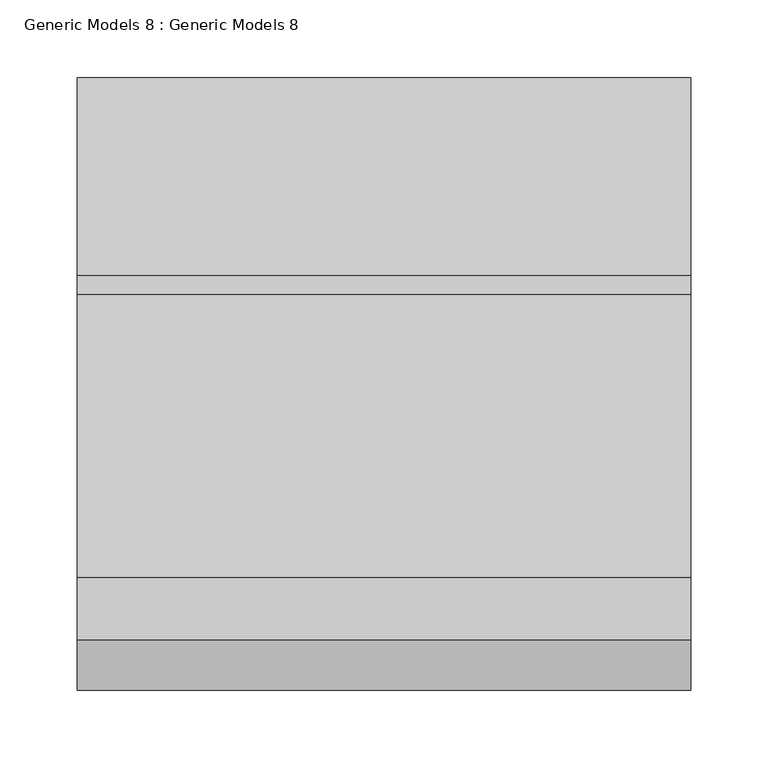
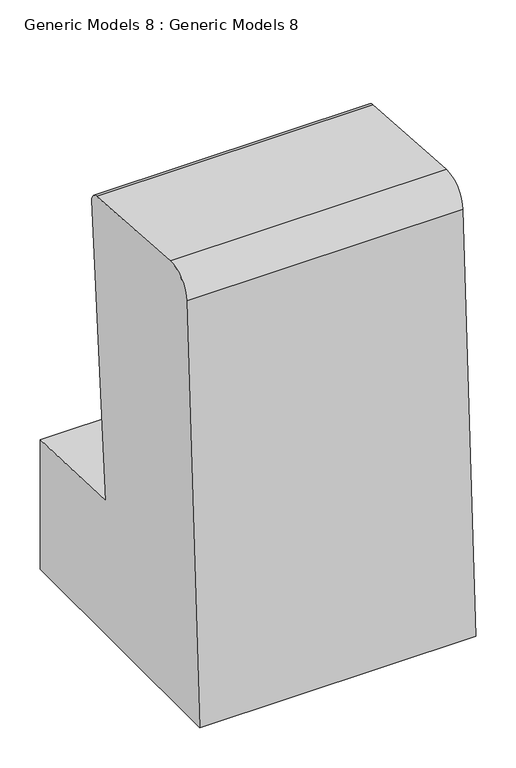
"""IFC4 building model written with IfcOpenShell, lengths in millimetres: proxy geometry, Generic Models 8 : Generic Models 8."""

from ifc_helpers import new_model, si_unit, point, frame, frame_2d, origin, place, context, project, spatial, polyline, circle_curve, trimmed, segment, composite_curve, outline, extrude, source, transform, mapped, element, save


def generic_models_8_generic_models_8_11b0791b(model_context):
    return source(origin(), model_context, "Body", "SweptSolid", [
        extrude(outline(composite_curve([segment(polyline([(20840.2936254, -2281.9675196), (20840.2936254, -2478.8175196), (20444.8574594, -2478.8175196), (20476.915838, -1851.4265969)]), True, "CONTINUOUS"), segment(trimmed(circle_curve(frame_2d((20514.9661956, -1853.3708915)), 38.1), [point((20476.915838, -1851.4265969))], [point((20517.6239173, -1815.3637012))], False, "CARTESIAN"), True, "CONTINUOUS"), segment(polyline([(20517.6239173, -1815.3637012), (20700.3955654, -1828.1443399)]), True, "CONTINUOUS"), segment(trimmed(circle_curve(frame_2d((20699.5096582, -1840.8134033)), 12.7), [point((20700.3955654, -1828.1443399))], [point((20712.1697484, -1841.819443))], False, "CARTESIAN"), True, "CONTINUOUS"), segment(polyline([(20712.1697484, -1841.819443), (20677.6445358, -2276.2876882), (20840.2936254, -2281.9675196)]), True, "CONTINUOUS")], self_intersect=False)), frame((-20351.8381998, 0.0, 0.0), z_axis=(1.0, 0.0, 0.0), x_axis=(0.0, 1.0, 0.0)), (0.0, 0.0, 1.0), 395.7376937),
    ])


if __name__ == "__main__":
    model = new_model("IFC4")
    model_context = context("Model", 3, world=origin())
    ifc_project = project(units=[si_unit("LENGTHUNIT", "METRE", prefix="MILLI")], contexts=[model_context])
    site = spatial("IfcSite", under=ifc_project)
    building = spatial("IfcBuilding", under=site)
    placement = place(None, origin())
    generic_models_8_generic_models_8_shape = generic_models_8_generic_models_8_11b0791b(model_context)
    element("IfcBuildingElementProxy", 1, Name="Generic Models 8 : Generic Models 8", ObjectType="Generic Models 8 : Generic Models 8", at=placement, inside=building, context=model_context, shape_type="MappedRepresentation", body=[
        mapped(generic_models_8_generic_models_8_shape, transform((0.0, 0.0, 0.0), x_axis=(1.0, 0.0, 0.0), y_axis=(0.0, 1.0, 0.0), z_axis=(0.0, 0.0, 1.0))),
    ])
    save(model, "model.ifc")
